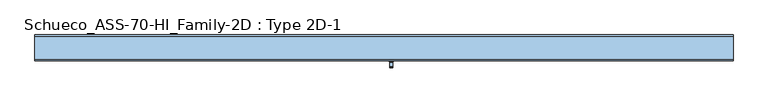
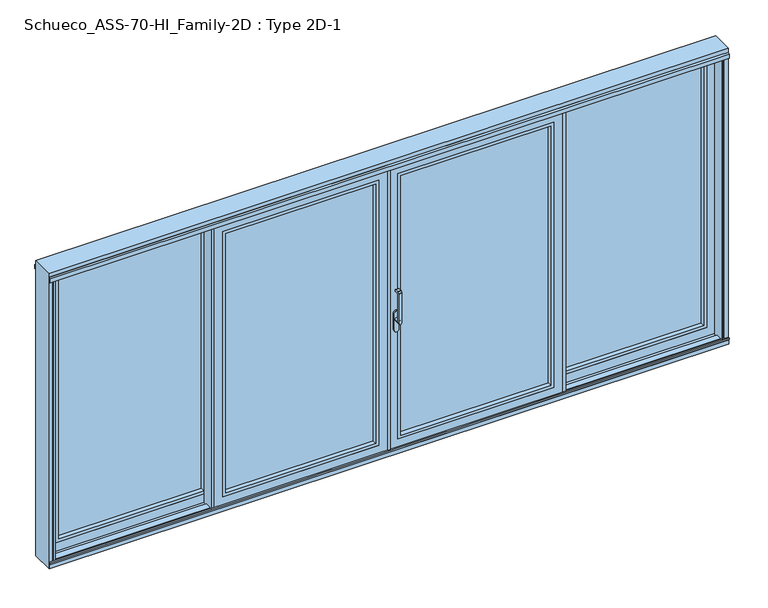
"""IFC4 building model written with IfcOpenShell, lengths in millimetres: window geometry, Schueco_ASS-70-HI_Family-2D : Type 2D-1."""

from ifc_helpers import new_model, si_unit, point, frame, frame_2d, origin, place, context, project, spatial, polyline, circle_curve, trimmed, segment, composite_curve, outline, extrude, faceted_brep, source, transform, mapped, element, save
from ifc_brep_helpers import plane_surface, cylinder_surface, revolved_surface, advanced_brep


def schueco_ass_70_hi_family_2d_type_2d_1_c16f9a44(model_context):
    return source(origin(), model_context, "Body", "SolidModel", [
        extrude(outline(polyline([(-1210.9983764, 144.5000663), (-1210.9983764, 150.0000331), (-1190.9984069, 150.0000331), (-1190.9984069, 65.7878516), (-1245.0, 65.7878516), (-1245.0, 80.0102415), (-1194.798472, 80.0102415), (-1194.798472, 144.5000663), (-1210.9983764, 144.5000663)])), frame((0.0, 0.0, -6.9999052), z_axis=(0.0, 0.0, 1.0), x_axis=(1.0, 0.0, 0.0)), (0.0, 0.0, 1.0), 2187.9998104),
        extrude(outline(polyline([(2114.8998417, -2384.8998417), (59.1001583, -2384.8998417), (59.1001583, -1277.1001583), (2114.8998417, -1277.1001583), (2114.8998417, -2384.8998417)]), holes=[polyline([(2092.899857, -1299.100143), (81.100143, -1299.100143), (81.100143, -2362.899857), (2092.899857, -2362.899857), (2092.899857, -1299.100143)])]), frame((0.0, 80.0102083, 0.0), z_axis=(0.0, 1.0, 0.0), x_axis=(0.0, 0.0, 1.0)), (0.0, 0.0, 1.0), 35.0222836),
        extrude(outline(polyline([(-1285.0984318, 115.0324919), (-2376.9015682, 115.0324919), (-2376.9015682, 141.0223361), (-1285.0984318, 141.0223361), (-1285.0984318, 115.0324919)])), frame((0.0, 0.0, 67.0984318), z_axis=(0.0, 0.0, 1.0), x_axis=(1.0, 0.0, 0.0)), (0.0, 0.0, 1.0), 2039.8031365),
        faceted_brep([(-2451.0016236, 144.5000331, 2181.0016236), (-2451.0016236, 150.0, 2181.0016236), (-2451.0016236, 150.0, -7.0016236), (-2451.0016236, 144.5000331, -7.0016236), (-1210.9983764, 150.0, 2181.0016236), (-1210.9983764, 150.0, -7.0016236), (-2363.0016236, 150.0, 2093.0016236), (-2363.0016236, 150.0, 80.9983764), (-1298.9983764, 150.0, 80.9983764), (-1298.9983764, 150.0, 2093.0016236), (-1210.9983764, 144.5000331, -7.0016236), (-1210.9983764, 144.5000331, 2181.0016236), (-1241.0000948, 144.5000331, 2150.9999052), (-1241.0000948, 144.5000331, 23.0000948), (-2420.9999052, 144.5000331, 23.0000948), (-2420.9999052, 144.5000331, 2150.9999052), (-2420.9999052, 85.5102083, 2150.9999052), (-2420.9999052, 85.5102083, 23.0000948), (-1241.0000948, 85.5102083, 23.0000948), (-1211.0000948, 85.5102083, 2180.9999052), (-1211.0000948, 85.5102083, -6.9999052), (-2450.9999052, 85.5102083, -6.9999052), (-2450.9999052, 85.5102083, 2180.9999052), (-1241.0000948, 85.5102083, 2150.9999052), (-2450.9999052, 80.0102083, 2180.9999052), (-2450.9999052, 80.0102083, -6.9999052), (-1211.0000948, 80.0102083, -6.9999052), (-1211.0000948, 80.0102083, 2180.9999052), (-1277.1001583, 80.0102083, 2114.8998417), (-1277.1001583, 80.0102083, 59.1001583), (-2384.8998417, 80.0102083, 59.1001583), (-2384.8998417, 80.0102083, 2114.8998417), (-2376.9015682, 141.0223361, 2106.9015682), (-2376.9015682, 115.0223361, 2106.9015682), (-2376.9015682, 115.0223361, 67.0984318), (-2376.9015682, 141.0223361, 67.0984318), (-2384.8998417, 115.0223361, 2114.8998417), (-2384.8998417, 115.0223361, 59.1001583), (-1277.1001583, 115.0223361, 59.1001583), (-1277.1001583, 115.0223361, 2114.8998417), (-1285.0984318, 115.0223361, 2106.9015682), (-1285.0984318, 115.0223361, 67.0984318), (-1285.0984318, 141.0223361, 67.0984318), (-1285.0984318, 141.0223361, 2106.9015682), (-1298.9983764, 141.0223361, 2093.0016236), (-1298.9983764, 141.0223361, 80.9983764), (-2363.0016236, 141.0223361, 80.9983764), (-2363.0016236, 141.0223361, 2093.0016236)], [[[0, 1, 2, 3]], [[4, 5, 2, 1], [6, 7, 8, 9]], [[3, 2, 5, 10]], [[0, 3, 10, 11], [12, 13, 14, 15]], [[16, 15, 14, 17]], [[17, 14, 13, 18]], [[19, 20, 21, 22], [16, 17, 18, 23]], [[24, 22, 21, 25]], [[25, 21, 20, 26]], [[24, 25, 26, 27], [28, 29, 30, 31]], [[32, 33, 34, 35]], [[36, 37, 38, 39], [40, 41, 34, 33]], [[35, 34, 41, 42]], [[32, 35, 42, 43], [44, 45, 46, 47]], [[6, 47, 46, 7]], [[7, 46, 45, 8]], [[10, 5, 4, 11]], [[18, 13, 12, 23]], [[26, 20, 19, 27]], [[42, 41, 40, 43]], [[8, 45, 44, 9]], [[38, 29, 28, 39]], [[37, 30, 29, 38]], [[36, 31, 30, 37]], [[11, 4, 1, 0]], [[23, 12, 15, 16]], [[27, 19, 22, 24]], [[43, 40, 33, 32]], [[9, 44, 47, 6]], [[39, 28, 31, 36]]]),
        extrude(outline(polyline([(1210.9983764, 144.5000663), (1194.798472, 144.5000663), (1194.798472, 80.0102415), (1245.0, 80.0102415), (1245.0, 65.7878516), (1190.9984069, 65.7878516), (1190.9984069, 150.0000331), (1210.9983764, 150.0000331), (1210.9983764, 144.5000663)])), frame((0.0, 0.0, -6.9999052), z_axis=(0.0, 0.0, 1.0), x_axis=(1.0, 0.0, 0.0)), (0.0, 0.0, 1.0), 2187.9998104),
        extrude(outline(polyline([(2114.8998417, 2384.8998417), (2114.8998417, 1277.1001583), (59.1001583, 1277.1001583), (59.1001583, 2384.8998417), (2114.8998417, 2384.8998417)]), holes=[polyline([(2092.899857, 1299.100143), (2092.899857, 2362.899857), (81.100143, 2362.899857), (81.100143, 1299.100143), (2092.899857, 1299.100143)])]), frame((0.0, 80.0102083, 0.0), z_axis=(0.0, 1.0, 0.0), x_axis=(0.0, 0.0, 1.0)), (0.0, 0.0, 1.0), 35.0222836),
        extrude(outline(polyline([(1285.0984318, 115.0324919), (1285.0984318, 141.0223361), (2376.9015682, 141.0223361), (2376.9015682, 115.0324919), (1285.0984318, 115.0324919)])), frame((0.0, 0.0, 67.0984318), z_axis=(0.0, 0.0, 1.0), x_axis=(1.0, 0.0, 0.0)), (0.0, 0.0, 1.0), 2039.8031365),
        faceted_brep([(2451.0016236, 144.5000331, 2181.0016236), (2451.0016236, 144.5000331, -7.0016236), (2451.0016236, 150.0, -7.0016236), (2451.0016236, 150.0, 2181.0016236), (1210.9983764, 150.0, 2181.0016236), (1210.9983764, 150.0, -7.0016236), (2363.0016236, 150.0, 2093.0016236), (1298.9983764, 150.0, 2093.0016236), (1298.9983764, 150.0, 80.9983764), (2363.0016236, 150.0, 80.9983764), (1210.9983764, 144.5000331, -7.0016236), (1210.9983764, 144.5000331, 2181.0016236), (1241.0000948, 144.5000331, 2150.9999052), (2420.9999052, 144.5000331, 2150.9999052), (2420.9999052, 144.5000331, 23.0000948), (1241.0000948, 144.5000331, 23.0000948), (2420.9999052, 85.5102083, 2150.9999052), (2420.9999052, 85.5102083, 23.0000948), (1241.0000948, 85.5102083, 23.0000948), (1211.0000948, 85.5102083, 2180.9999052), (2450.9999052, 85.5102083, 2180.9999052), (2450.9999052, 85.5102083, -6.9999052), (1211.0000948, 85.5102083, -6.9999052), (1241.0000948, 85.5102083, 2150.9999052), (2450.9999052, 80.0102083, 2180.9999052), (2450.9999052, 80.0102083, -6.9999052), (1211.0000948, 80.0102083, -6.9999052), (1211.0000948, 80.0102083, 2180.9999052), (1277.1001583, 80.0102083, 2114.8998417), (2384.8998417, 80.0102083, 2114.8998417), (2384.8998417, 80.0102083, 59.1001583), (1277.1001583, 80.0102083, 59.1001583), (2376.9015682, 141.0223361, 2106.9015682), (2376.9015682, 141.0223361, 67.0984318), (2376.9015682, 115.0223361, 67.0984318), (2376.9015682, 115.0223361, 2106.9015682), (2384.8998417, 115.0223361, 2114.8998417), (1277.1001583, 115.0223361, 2114.8998417), (1277.1001583, 115.0223361, 59.1001583), (2384.8998417, 115.0223361, 59.1001583), (1285.0984318, 115.0223361, 2106.9015682), (1285.0984318, 115.0223361, 67.0984318), (1285.0984318, 141.0223361, 67.0984318), (1285.0984318, 141.0223361, 2106.9015682), (1298.9983764, 141.0223361, 2093.0016236), (2363.0016236, 141.0223361, 2093.0016236), (2363.0016236, 141.0223361, 80.9983764), (1298.9983764, 141.0223361, 80.9983764)], [[[0, 1, 2, 3]], [[4, 3, 2, 5], [6, 7, 8, 9]], [[1, 10, 5, 2]], [[0, 11, 10, 1], [12, 13, 14, 15]], [[16, 17, 14, 13]], [[17, 18, 15, 14]], [[19, 20, 21, 22], [16, 23, 18, 17]], [[24, 25, 21, 20]], [[25, 26, 22, 21]], [[24, 27, 26, 25], [28, 29, 30, 31]], [[32, 33, 34, 35]], [[36, 37, 38, 39], [40, 35, 34, 41]], [[33, 42, 41, 34]], [[32, 43, 42, 33], [44, 45, 46, 47]], [[6, 9, 46, 45]], [[9, 8, 47, 46]], [[10, 11, 4, 5]], [[18, 23, 12, 15]], [[26, 27, 19, 22]], [[42, 43, 40, 41]], [[8, 7, 44, 47]], [[38, 37, 28, 31]], [[39, 38, 31, 30]], [[36, 39, 30, 29]], [[11, 0, 3, 4]], [[23, 16, 13, 12]], [[27, 24, 20, 19]], [[43, 32, 35, 40]], [[7, 6, 45, 44]], [[37, 36, 29, 28]]]),
        advanced_brep(
        [(64.0501266, -52.6493095, 1227.000061), (64.0501266, -59.9999695, 1219.6494011), (40.0501266, -59.9999695, 1219.6494011), (40.0501266, -52.6493095, 1227.000061), (64.0501266, -31.9999695, 1227.000061), (40.0501266, -31.9999695, 1227.000061), (64.0501266, -29.9999695, 1229.000061), (40.0501266, -29.9999695, 1229.000061), (64.0501266, -29.9999695, 1240.000061), (40.0501266, -29.9999695, 1240.000061), (40.0501266, -71.9999695, 1004.005052), (64.0501266, -71.9999695, 1004.005052), (64.0501266, -71.9999695, 1229.2360009), (40.0501266, -71.9999695, 1229.2360009), (40.0501266, -23.9999695, 1004.005052), (64.0501266, -23.9999695, 1004.005052), (40.0501266, -59.9999695, 1004.005052), (64.0501266, -59.9999695, 1004.005052), (64.0501266, -31.9999695, 1242.000061), (64.0501266, -59.2359094, 1242.000061), (64.0501266, -60.6501229, 1241.4142746), (64.0501266, -71.414183, 1230.6502145), (40.0501266, -71.414183, 1230.6502145), (40.0501266, -60.6501229, 1241.4142746), (40.0501266, -59.2359094, 1242.000061), (40.0501266, -31.9999695, 1242.000061)],
        [
            (0, 1, circle_curve(frame((64.0501266, -52.6493095, 1219.6494011), z_axis=(1.0, 0.0, 0.0), x_axis=(0.0, 0.0, -1.0)), 7.35066)),
            (1, 2),
            (2, 3, circle_curve(frame((40.0501266, -52.6493095, 1219.6494011), z_axis=(-1.0, 0.0, 0.0), x_axis=(0.0, 0.0, -1.0)), 7.35066)),
            (3, 0),
            (4, 0),
            (3, 5),
            (5, 4),
            (6, 4, circle_curve(frame((64.0501266, -31.9999695, 1229.000061), z_axis=(-1.0, 0.0, 0.0), x_axis=(0.0, 0.0, -1.0)), 2.0)),
            (5, 7, circle_curve(frame((40.0501266, -31.9999695, 1229.000061), z_axis=(1.0, 0.0, 0.0), x_axis=(0.0, 0.0, -1.0)), 2.0)),
            (7, 6),
            (8, 6),
            (7, 9),
            (9, 8),
            (10, 11, circle_curve(frame((52.0501266, -71.9999695, 1004.005052), z_axis=(0.0, -1.0, 0.0), x_axis=(1.0, 0.0, 0.0)), 12.0)),
            (11, 12),
            (12, 13),
            (13, 10),
            (14, 15, circle_curve(frame((52.0501266, -23.9999695, 1004.005052), z_axis=(0.0, 1.0, 0.0), x_axis=(1.0, 0.0, 0.0)), 12.0)),
            (15, 14, circle_curve(frame((52.0501266, -23.9999695, 1004.005052), z_axis=(0.0, 1.0, 0.0), x_axis=(1.0, 0.0, 0.0)), 12.0)),
            (10, 16),
            (16, 14),
            (15, 17),
            (17, 11),
            (16, 17, circle_curve(frame((52.0501266, -59.9999695, 1004.005052), z_axis=(0.0, 1.0, 0.0), x_axis=(1.0, 0.0, 0.0)), 12.0)),
            (17, 1),
            (8, 18, circle_curve(frame((64.0501266, -31.9999695, 1240.000061), z_axis=(1.0, 0.0, 0.0), x_axis=(0.0, 0.0, -1.0)), 2.0)),
            (18, 19),
            (19, 20, circle_curve(frame((64.0501266, -59.2359094, 1240.000061), z_axis=(1.0, 0.0, 0.0), x_axis=(0.0, 0.0, -1.0)), 2.0)),
            (20, 21),
            (21, 12, circle_curve(frame((64.0501266, -69.9999695, 1229.2360009), z_axis=(1.0, 0.0, 0.0), x_axis=(0.0, 0.0, -1.0)), 2.0)),
            (13, 22, circle_curve(frame((40.0501266, -69.9999695, 1229.2360009), z_axis=(-1.0, 0.0, 0.0), x_axis=(0.0, 0.0, -1.0)), 2.0)),
            (22, 23),
            (23, 24, circle_curve(frame((40.0501266, -59.2359094, 1240.000061), z_axis=(-1.0, 0.0, 0.0), x_axis=(0.0, 0.0, -1.0)), 2.0)),
            (24, 25),
            (25, 9, circle_curve(frame((40.0501266, -31.9999695, 1240.000061), z_axis=(-1.0, 0.0, 0.0), x_axis=(0.0, 0.0, -1.0)), 2.0)),
            (2, 16),
            (25, 18),
            (24, 19),
            (23, 20),
            (22, 21),
        ],
        [
            revolved_surface(polyline([(40.0501266, -52.6493095, 1212.2987411), (64.0501266, -52.6493095, 1212.2987411)]), (40.0501266, -52.6493095, 1219.6494011), (-1.0, 0.0, 0.0)),
            plane_surface(frame((64.0501266, -52.6493095, 1227.000061), z_axis=(0.0, 0.0, -1.0), x_axis=(-1.0, 0.0, 0.0))),
            cylinder_surface(frame((40.0501266, -31.9999695, 1229.000061), z_axis=(1.0, 0.0, 0.0), x_axis=(0.0, 0.0, -1.0)), 2.0),
            plane_surface(frame((64.0501266, -29.9999695, 1229.000061), z_axis=(0.0, 1.0, 0.0), x_axis=(-1.0, 0.0, 0.0))),
            plane_surface(frame((64.0501266, -71.9999695, 1004.005052), z_axis=(0.0, -1.0, 0.0), x_axis=(0.0, 0.0, 1.0))),
            plane_surface(frame((64.0501266, -23.9999695, 1004.005052), z_axis=(0.0, 1.0, 0.0), x_axis=(0.0, 0.0, -1.0))),
            cylinder_surface(frame((52.0501266, -23.9999695, 1004.005052), z_axis=(0.0, -1.0, 0.0), x_axis=(1.0, 0.0, 0.0)), 12.0),
            plane_surface(frame((64.0501266, -71.9999695, 1009.7503433), z_axis=(1.0, 0.0, 0.0), x_axis=(0.0, 0.0, -1.0))),
            plane_surface(frame((40.0501266, -71.9999695, 1009.7503433), z_axis=(-1.0, 0.0, 0.0), x_axis=(0.0, 0.0, 1.0))),
            plane_surface(frame((64.0501266, -59.9999695, 1004.0), z_axis=(0.0, 1.0, 0.0), x_axis=(-1.0, 0.0, 0.0))),
            cylinder_surface(frame((40.0501266, -31.9999695, 1240.000061), z_axis=(1.0, 0.0, 0.0), x_axis=(0.0, 0.0, -1.0)), 2.0),
            plane_surface(frame((64.0501266, -31.9999695, 1242.000061), z_axis=(0.0, 0.0, 1.0), x_axis=(-1.0, 0.0, 0.0))),
            cylinder_surface(frame((40.0501266, -59.2359094, 1240.000061), z_axis=(1.0, 0.0, 0.0), x_axis=(0.0, 0.0, -1.0)), 2.0),
            plane_surface(frame((64.0501266, -60.6501229, 1241.4142746), z_axis=(0.0, -0.7071067811865422, 0.7071067811865528), x_axis=(-1.0, 0.0, 0.0))),
            cylinder_surface(frame((40.0501266, -69.9999695, 1229.2360009), z_axis=(1.0, 0.0, 0.0), x_axis=(0.0, 0.0, -1.0)), 2.0),
        ],
        [
            (0, [[1, 2, 3, 4]]),
            (1, [[5, -4, 6, 7]]),
            (2, [[8, -7, 9, 10]]),
            (3, [[11, -10, 12, 13]]),
            (4, [[14, 15, 16, 17]]),
            (5, [[18, 19]]),
            (6, [[-14, 20, 21, -19, 22, 23]]),
            (6, [[-18, -21, 24, -22]]),
            (7, [[-15, -23, 25, -1, -5, -8, -11, 26, 27, 28, 29, 30]]),
            (8, [[31, 32, 33, 34, 35, -12, -9, -6, -3, 36, -20, -17]]),
            (9, [[-25, -24, -36, -2]]),
            (10, [[-26, -13, -35, 37]]),
            (11, [[-27, -37, -34, 38]]),
            (12, [[-28, -38, -33, 39]]),
            (13, [[-29, -39, -32, 40]]),
            (14, [[-30, -40, -31, -16]]),
        ],
    ),
        extrude(outline(composite_curve([segment(trimmed(circle_curve(frame_2d((922.2823932, 52.0501266)), 16.75), [point((922.2823932, 35.3001266))], [point((922.2823932, 68.8001266))], False, "CARTESIAN"), True, "CONTINUOUS"), segment(polyline([(922.2823932, 68.8001266), (1049.0099288, 68.8001266)]), True, "CONTINUOUS"), segment(trimmed(circle_curve(frame_2d((1049.0099288, 52.0501266)), 16.75), [point((1049.0099288, 68.8001266))], [point((1049.0099288, 35.3001266))], False, "CARTESIAN"), True, "CONTINUOUS"), segment(polyline([(1049.0099288, 35.3001266), (922.2823932, 35.3001266)]), True, "CONTINUOUS")], self_intersect=False)), frame((0.0, -23.9999695, 0.0), z_axis=(0.0, 1.0, 0.0), x_axis=(0.0, 0.0, 1.0)), (0.0, 0.0, 1.0), 13.9999695),
        extrude(outline(polyline([(2114.8998417, 70.1001583), (59.1001583, 70.1001583), (59.1001583, 1212.8998417), (2114.8998417, 1212.8998417), (2114.8998417, 70.1001583)]), holes=[polyline([(2092.899857, 1190.899857), (81.100143, 1190.899857), (81.100143, 92.100143), (2092.899857, 92.100143), (2092.899857, 1190.899857)])]), frame((0.0, -10.0222971, 0.0), z_axis=(0.0, 1.0, 0.0), x_axis=(0.0, 0.0, 1.0)), (0.0, 0.0, 1.0), 35.0222836),
        extrude(outline(polyline([(1204.9015682, 24.9999865), (78.0984318, 24.9999865), (78.0984318, 50.9898307), (1204.9015682, 50.9898307), (1204.9015682, 24.9999865)])), frame((0.0, 0.0, 67.0984318), z_axis=(0.0, 0.0, 1.0), x_axis=(1.0, 0.0, 0.0)), (0.0, 0.0, 1.0), 2039.8031365),
        extrude(outline(polyline([(1299.0015931, -10.0222971), (1279.0016236, -10.0222971), (1279.0016236, -4.5223302), (1295.201528, -4.5223302), (1295.201528, 59.9674946), (1245.0, 59.9674946), (1245.0, 74.1898845), (1299.0015931, 74.1898845), (1299.0015931, -10.0222971)])), frame((0.0, 0.0, -6.9999052), z_axis=(0.0, 0.0, 1.0), x_axis=(1.0, 0.0, 0.0)), (0.0, 0.0, 1.0), 2187.9998104),
        faceted_brep([(3.9983764, 54.4675277, 2181.0016236), (3.9983764, 59.9674946, 2181.0016236), (3.9983764, 59.9674946, -7.0016236), (3.9983764, 54.4675277, -7.0016236), (1279.0016236, 59.9674946, 2181.0016236), (1279.0016236, 59.9674946, -7.0016236), (91.9983764, 59.9674946, 2093.0016236), (91.9983764, 59.9674946, 80.9983764), (1191.0016236, 59.9674946, 80.9983764), (1191.0016236, 59.9674946, 2093.0016236), (1279.0016236, 54.4675277, -7.0016236), (1279.0016236, 54.4675277, 2181.0016236), (1248.9999052, 54.4675277, 2150.9999052), (1248.9999052, 54.4675277, 23.0000948), (34.0000948, 54.4675277, 23.0000948), (34.0000948, 54.4675277, 2150.9999052), (34.0000948, -4.5222971, 2150.9999052), (34.0000948, -4.5222971, 23.0000948), (1248.9999052, -4.5222971, 23.0000948), (1278.9999052, -4.5222971, 2180.9999052), (1278.9999052, -4.5222971, -6.9999052), (4.0000948, -4.5222971, -6.9999052), (4.0000948, -4.5222971, 2180.9999052), (1248.9999052, -4.5222971, 2150.9999052), (4.0000948, -10.0222971, 2180.9999052), (4.0000948, -10.0222971, -6.9999052), (1278.9999052, -10.0222971, -6.9999052), (1278.9999052, -10.0222971, 2180.9999052), (1212.8998417, -10.0222971, 2114.8998417), (1212.8998417, -10.0222971, 59.1001583), (70.1001583, -10.0222971, 59.1001583), (70.1001583, -10.0222971, 2114.8998417), (78.0984318, 50.9898307, 2106.9015682), (78.0984318, 24.9898307, 2106.9015682), (78.0984318, 24.9898307, 67.0984318), (78.0984318, 50.9898307, 67.0984318), (70.1001583, 24.9898307, 2114.8998417), (70.1001583, 24.9898307, 59.1001583), (1212.8998417, 24.9898307, 59.1001583), (1212.8998417, 24.9898307, 2114.8998417), (1204.9015682, 24.9898307, 2106.9015682), (1204.9015682, 24.9898307, 67.0984318), (1204.9015682, 50.9898307, 67.0984318), (1204.9015682, 50.9898307, 2106.9015682), (1191.0016236, 50.9898307, 2093.0016236), (1191.0016236, 50.9898307, 80.9983764), (91.9983764, 50.9898307, 80.9983764), (91.9983764, 50.9898307, 2093.0016236)], [[[0, 1, 2, 3]], [[4, 5, 2, 1], [6, 7, 8, 9]], [[3, 2, 5, 10]], [[0, 3, 10, 11], [12, 13, 14, 15]], [[16, 15, 14, 17]], [[17, 14, 13, 18]], [[19, 20, 21, 22], [16, 17, 18, 23]], [[24, 22, 21, 25]], [[25, 21, 20, 26]], [[24, 25, 26, 27], [28, 29, 30, 31]], [[32, 33, 34, 35]], [[36, 37, 38, 39], [40, 41, 34, 33]], [[35, 34, 41, 42]], [[32, 35, 42, 43], [44, 45, 46, 47]], [[6, 47, 46, 7]], [[7, 46, 45, 8]], [[10, 5, 4, 11]], [[18, 13, 12, 23]], [[26, 20, 19, 27]], [[42, 41, 40, 43]], [[8, 45, 44, 9]], [[38, 29, 28, 39]], [[37, 30, 29, 38]], [[36, 31, 30, 37]], [[11, 4, 1, 0]], [[23, 12, 15, 16]], [[27, 19, 22, 24]], [[43, 40, 33, 32]], [[9, 44, 47, 6]], [[39, 28, 31, 36]]]),
        extrude(outline(polyline([(9.0008592, -10.0222971), (9.0008592, -15.8324442), (-6.9991408, -15.8324442), (-6.9991408, -10.0223302), (2.2008592, -10.0223302), (2.2008592, 0.4287223), (-11.9991103, 0.4287223), (-11.9991103, 49.4287223), (2.2008592, 49.4287223), (2.2008592, 59.9674946), (-6.9991408, 59.9674946), (-6.9991408, 65.7287223), (9.0, 65.7287223), (9.0, 59.9674946), (3.9983764, 59.9674946), (3.9983764, 54.4675277), (34.0000948, 54.4675277), (34.0000948, -4.5222971), (4.0000948, -4.5222971), (4.0000948, -10.0222971), (9.0008592, -10.0222971)])), frame((0.0, 0.0, -6.9999052), z_axis=(0.0, 0.0, 1.0), x_axis=(1.0, 0.0, 0.0)), (0.0, 0.0, 1.0), 2187.9998104),
        extrude(outline(polyline([(2114.8998417, -70.1001583), (2114.8998417, -1212.8998417), (59.1001583, -1212.8998417), (59.1001583, -70.1001583), (2114.8998417, -70.1001583)]), holes=[polyline([(2092.899857, -1190.899857), (2092.899857, -92.100143), (81.100143, -92.100143), (81.100143, -1190.899857), (2092.899857, -1190.899857)])]), frame((0.0, -10.0222971, 0.0), z_axis=(0.0, 1.0, 0.0), x_axis=(0.0, 0.0, 1.0)), (0.0, 0.0, 1.0), 35.0222836),
        extrude(outline(polyline([(-1204.9015682, 24.9999865), (-1204.9015682, 50.9898307), (-78.0984318, 50.9898307), (-78.0984318, 24.9999865), (-1204.9015682, 24.9999865)])), frame((0.0, 0.0, 67.0984318), z_axis=(0.0, 0.0, 1.0), x_axis=(1.0, 0.0, 0.0)), (0.0, 0.0, 1.0), 2039.8031365),
        extrude(outline(polyline([(-1299.0015931, -10.0222971), (-1299.0015931, 74.1898845), (-1245.0, 74.1898845), (-1245.0, 59.9674946), (-1295.201528, 59.9674946), (-1295.201528, -4.5223302), (-1279.0016236, -4.5223302), (-1279.0016236, -10.0222971), (-1299.0015931, -10.0222971)])), frame((0.0, 0.0, -6.9999052), z_axis=(0.0, 0.0, 1.0), x_axis=(1.0, 0.0, 0.0)), (0.0, 0.0, 1.0), 2187.9998104),
        faceted_brep([(-3.9983764, 54.4675277, 2181.0016236), (-3.9983764, 54.4675277, -7.0016236), (-3.9983764, 59.9674946, -7.0016236), (-3.9983764, 59.9674946, 2181.0016236), (-1279.0016236, 59.9674946, 2181.0016236), (-1279.0016236, 59.9674946, -7.0016236), (-91.9983764, 59.9674946, 2093.0016236), (-1191.0016236, 59.9674946, 2093.0016236), (-1191.0016236, 59.9674946, 80.9983764), (-91.9983764, 59.9674946, 80.9983764), (-1279.0016236, 54.4675277, -7.0016236), (-1279.0016236, 54.4675277, 2181.0016236), (-1248.9999052, 54.4675277, 2150.9999052), (-34.0000948, 54.4675277, 2150.9999052), (-34.0000948, 54.4675277, 23.0000948), (-1248.9999052, 54.4675277, 23.0000948), (-34.0000948, -4.5222971, 2150.9999052), (-34.0000948, -4.5222971, 23.0000948), (-1248.9999052, -4.5222971, 23.0000948), (-1278.9999052, -4.5222971, 2180.9999052), (-4.0000948, -4.5222971, 2180.9999052), (-4.0000948, -4.5222971, -6.9999052), (-1278.9999052, -4.5222971, -6.9999052), (-1248.9999052, -4.5222971, 2150.9999052), (-4.0000948, -10.0222971, 2180.9999052), (-4.0000948, -10.0222971, -6.9999052), (-1278.9999052, -10.0222971, -6.9999052), (-1278.9999052, -10.0222971, 2180.9999052), (-1212.8998417, -10.0222971, 2114.8998417), (-70.1001583, -10.0222971, 2114.8998417), (-70.1001583, -10.0222971, 59.1001583), (-1212.8998417, -10.0222971, 59.1001583), (-78.0984318, 50.9898307, 2106.9015682), (-78.0984318, 50.9898307, 67.0984318), (-78.0984318, 24.9898307, 67.0984318), (-78.0984318, 24.9898307, 2106.9015682), (-70.1001583, 24.9898307, 2114.8998417), (-1212.8998417, 24.9898307, 2114.8998417), (-1212.8998417, 24.9898307, 59.1001583), (-70.1001583, 24.9898307, 59.1001583), (-1204.9015682, 24.9898307, 2106.9015682), (-1204.9015682, 24.9898307, 67.0984318), (-1204.9015682, 50.9898307, 67.0984318), (-1204.9015682, 50.9898307, 2106.9015682), (-1191.0016236, 50.9898307, 2093.0016236), (-91.9983764, 50.9898307, 2093.0016236), (-91.9983764, 50.9898307, 80.9983764), (-1191.0016236, 50.9898307, 80.9983764)], [[[0, 1, 2, 3]], [[4, 3, 2, 5], [6, 7, 8, 9]], [[1, 10, 5, 2]], [[0, 11, 10, 1], [12, 13, 14, 15]], [[16, 17, 14, 13]], [[17, 18, 15, 14]], [[19, 20, 21, 22], [16, 23, 18, 17]], [[24, 25, 21, 20]], [[25, 26, 22, 21]], [[24, 27, 26, 25], [28, 29, 30, 31]], [[32, 33, 34, 35]], [[36, 37, 38, 39], [40, 35, 34, 41]], [[33, 42, 41, 34]], [[32, 43, 42, 33], [44, 45, 46, 47]], [[6, 9, 46, 45]], [[9, 8, 47, 46]], [[10, 11, 4, 5]], [[18, 23, 12, 15]], [[26, 27, 19, 22]], [[42, 43, 40, 41]], [[8, 7, 44, 47]], [[38, 37, 28, 31]], [[39, 38, 31, 30]], [[36, 39, 30, 29]], [[11, 0, 3, 4]], [[23, 16, 13, 12]], [[27, 24, 20, 19]], [[43, 32, 35, 40]], [[7, 6, 45, 44]], [[37, 36, 29, 28]]]),
        extrude(outline(polyline([(2441.0160727, -10.0), (2441.0160727, 74.2712776), (2459.0321213, 74.2712776), (2459.0321213, 65.8101155), (2443.0, 65.8101155), (2443.0, -1.2), (2450.9999052, -1.2), (2450.9999052, -10.0), (2441.0160727, -10.0)])), frame((0.0, 0.0, -14.9999878), z_axis=(0.0, 0.0, 1.0), x_axis=(1.0, 0.0, 0.0)), (0.0, 0.0, 1.0), 2188.0000367),
        extrude(outline(polyline([(-2441.0160727, -10.0), (-2450.9999052, -10.0), (-2450.9999052, -1.2), (-2443.0, -1.2), (-2443.0, 65.8101155), (-2459.0321213, 65.8101155), (-2459.0321213, 74.2712776), (-2441.0160727, 74.2712776), (-2441.0160727, -10.0)])), frame((0.0, 0.0, -14.9999878), z_axis=(0.0, 0.0, 1.0), x_axis=(1.0, 0.0, 0.0)), (0.0, 0.0, 1.0), 2188.0000367),
        faceted_brep([(-2490.0, 149.9799122, 2240.0), (-2490.0, 150.0, -46.0), (-2490.0, -10.0, -46.0), (-2490.0, -10.0, 2240.0), (2490.0, -10.0, -46.0), (2490.0, -10.0, 2240.0), (2458.9999878, -10.0, 2209.0000341), (2458.9999878, -10.0, -14.9999878), (-2458.9999878, -10.0, -14.9999878), (-2458.9999878, -10.0, 2209.0000341), (2490.0, 149.9799122, 2240.0), (2490.0, 149.9799122, -46.0), (-2459.0, 149.9799122, 2209.0000341), (-2459.0, 149.9799122, -15.0), (2459.0, 149.9799122, -15.0), (2459.0, 149.9799122, 2209.0000341), (-2443.0, 48.300567, 1.0), (-2443.0, 1.7117574, 1.0), (2443.0, 1.7117574, 1.0), (2443.0, 48.300567, 1.0), (-2459.0, 141.2, -15.0), (2459.0, 141.2, -15.0), (2458.9999878, -1.2, -14.9999878), (-2458.9999878, -1.2, -14.9999878), (-2443.0, 91.6994085, 1.0), (2443.0, 91.6994085, 1.0), (2443.0, 138.300567, 1.0), (-2443.0, 138.300567, 1.0), (2450.9661267, 141.2, -6.9661267), (-2450.9661267, 141.2, -6.9661267), (-2450.9661267, 88.7999755, -6.9661267), (2450.9661267, 88.7999755, -6.9661267), (-2459.0321213, 51.2, -15.0321213), (2459.0321213, 51.2, -15.0321213), (2459.0321213, 88.7999755, -15.0321213), (-2459.0321213, 88.7999755, -15.0321213), (2450.9661267, 51.2, -6.9661267), (-2450.9661267, 51.2, -6.9661267), (-2443.0, 44.0436655, 2205.1913198), (-2443.0, 48.300567, 2205.1913198), (-2450.9661267, 51.2, 2205.1913198), (-2459.0321213, 51.2, 2205.1913198), (-2459.0321213, 88.7999755, 2205.1913198), (-2450.9661267, 88.7999755, 2205.1913198), (-2443.0, 91.6994085, 2205.1913198), (-2443.0, 95.9362468, 2205.1913198), (2443.0, 95.9362468, 2205.1913198), (2443.0, 91.6994085, 2205.1913198), (2450.9661267, 88.7999755, 2205.1913198), (2459.0321213, 88.7999755, 2205.1913198), (2459.0321213, 51.2, 2205.1913198), (2450.9661267, 51.2, 2205.1913198), (2443.0, 48.300567, 2205.1913198), (2443.0, 44.0436655, 2205.1913198), (2459.0, 141.2, 2209.0000341), (2450.9661267, 141.2, 2209.0000341), (2450.3614407, 140.9799122, 2209.0000341), (-2450.3614407, 140.9799122, 2209.0000341), (-2450.9661267, 141.2, 2209.0000341), (-2459.0, 141.2, 2209.0000341), (-2458.9999878, -1.2, 2209.0000341), (-2450.9999878, -1.2, 2209.0000341), (-2450.4504923, -1.0, 2209.0000341), (2450.4504923, -1.0, 2209.0000341), (2450.9999878, -1.2, 2209.0000341), (2458.9999878, -1.2, 2209.0000341), (-2443.0, 134.9837976, 2193.0), (-2443.0, 138.300567, 2193.0), (-2450.3614407, 140.9799122, 2193.0), (2450.3614407, 140.9799122, 2193.0), (2443.0, 138.300567, 2193.0), (2443.0, 134.9837976, 2193.0), (-2443.0, 134.9837976, 2184.2461635), (-2443.0, 138.300567, 2180.9293941), (-2443.0, 138.300567, 2173.0000489), (-2443.0, 91.6994085, 2173.0000489), (-2443.0, 91.6994085, 2180.4194362), (-2443.0, 95.9362468, 2184.6562744), (2443.0, 95.9362468, 2184.6562744), (2443.0, 91.6994085, 2180.4194362), (2443.0, 91.6994085, 2173.0000489), (2443.0, 138.300567, 2173.0000489), (2443.0, 138.300567, 2180.9293941), (2443.0, 134.9837976, 2184.2461635), (-2447.6139633, 139.9799122, 2179.2500488), (-2447.6139633, 139.9799122, 2173.0000489), (2447.6139633, 139.9799122, 2173.0000489), (2447.6139633, 139.9799122, 2179.2500488), (2446.3502391, 90.4800212, 2179.2000488), (2446.3502391, 90.4800212, 2173.0000489), (-2446.3502391, 90.4800212, 2173.0000489), (-2446.3502391, 90.4800212, 2179.2000488), (-2443.0, 48.300567, 2180.3993729), (-2446.2951159, 49.4998911, 2179.2000488), (-2446.2951159, 49.4998911, 2173.0000489), (-2443.0, 48.300567, 2173.0000489), (2443.0, 48.300567, 2173.0000489), (2446.2951159, 49.4998911, 2173.0000489), (2446.2951159, 49.4998911, 2179.2000488), (2443.0, 48.300567, 2180.3993729), (2450.9999878, -1.2, -6.9999878), (-2450.9999878, -1.2, -6.9999878), (2443.0, 1.7117574, 2173.0000489), (2443.0, 1.7117574, 2193.0), (2443.0, 4.9961146, 2193.0), (2443.0, 4.9961146, 2184.2461635), (2443.0, 1.7117574, 2180.9618063), (2443.0, 44.0436655, 2184.6562744), (-2443.0, 44.0436655, 2184.6562744), (-2443.0, 1.7117574, 2173.0000489), (-2443.0, 1.7117574, 2180.9618063), (-2443.0, 4.9961146, 2184.2461635), (-2443.0, 4.9961146, 2193.0), (-2443.0, 1.7117574, 2193.0), (2450.4504923, -1.0, 2193.0), (2447.7030149, 0.0, 2179.2500488), (2447.7030149, 0.0, 2173.0000489), (-2447.7030149, 0.0, 2173.0000489), (-2447.7030149, 0.0, 2179.2500488), (-2450.4504923, -1.0, 2193.0)], [[[0, 1, 2, 3]], [[2, 4, 5, 3], [6, 7, 8, 9]], [[0, 10, 11, 1], [12, 13, 14, 15]], [[5, 4, 11, 10]], [[16, 17, 18, 19]], [[20, 21, 14, 13]], [[8, 7, 22, 23]], [[24, 25, 26, 27]], [[26, 28, 29, 27]], [[24, 30, 31, 25]], [[32, 33, 34, 35]], [[16, 19, 36, 37]], [[5, 10, 0, 3]], [[38, 39, 40, 41, 42, 43, 44, 45, 46, 47, 48, 49, 50, 51, 52, 53]], [[15, 54, 55, 56, 57, 58, 59, 12]], [[9, 60, 61, 62, 63, 64, 65, 6]], [[66, 67, 68, 69, 70, 71]], [[1, 11, 4, 2]], [[21, 54, 15, 14]], [[13, 12, 59, 20]], [[23, 60, 9, 8]], [[7, 6, 65, 22]], [[67, 66, 72, 73]], [[27, 74, 75, 24]], [[76, 77, 45, 44]], [[47, 46, 78, 79]], [[25, 80, 81, 26]], [[82, 83, 71, 70]], [[20, 59, 58, 29, 28, 55, 54, 21]], [[29, 58, 57, 68, 67, 73, 84, 85, 74, 27]], [[26, 81, 86, 87, 82, 70, 69, 56, 55, 28]], [[31, 48, 47, 79, 88, 89, 80, 25]], [[30, 43, 42, 35, 34, 49, 48, 31]], [[24, 75, 90, 91, 76, 44, 43, 30]], [[35, 42, 41, 32]], [[33, 50, 49, 34]], [[32, 41, 40, 37, 36, 51, 50, 33]], [[37, 40, 39, 92, 93, 94, 95, 16]], [[19, 96, 97, 98, 99, 52, 51, 36]], [[22, 65, 64, 100, 101, 61, 60, 23]], [[18, 102, 96, 19]], [[103, 104, 105, 106]], [[99, 107, 53, 52]], [[17, 101, 100, 18]], [[39, 38, 108, 92]], [[16, 95, 109, 17]], [[110, 111, 112, 113]], [[100, 64, 63, 114, 103, 106, 115, 116, 102, 18]], [[17, 109, 117, 118, 110, 113, 119, 62, 61, 101]], [[53, 107, 108, 38]], [[45, 77, 78, 46]], [[56, 69, 68, 57]], [[114, 63, 62, 119]], [[119, 113, 112, 104, 103, 114]], [[112, 111, 105, 104]], [[111, 110, 118, 115, 106, 105]], [[118, 117, 116, 115]], [[117, 109, 95, 94, 97, 96, 102, 116]], [[94, 93, 98, 97]], [[93, 92, 108, 107, 99, 98]], [[77, 76, 91, 88, 79, 78]], [[91, 90, 89, 88]], [[90, 75, 74, 85, 86, 81, 80, 89]], [[85, 84, 87, 86]], [[84, 73, 72, 83, 82, 87]], [[71, 83, 72, 66]]]),
        extrude(outline(polyline([(150.0, 2.9839273), (150.0, -6.9999052), (141.2, -6.9999052), (141.2, 1.0), (74.1898845, 1.0), (74.1898845, -15.0321213), (65.7287223, -15.0321213), (65.7287223, 2.9839273), (150.0, 2.9839273)])), frame((-1191.0, 0.0, 0.0), z_axis=(1.0, 0.0, 0.0), x_axis=(0.0, 1.0, 0.0)), (0.0, 0.0, 1.0), 2381.9984069),
        extrude(outline(polyline([(158.5798866, 2193.0), (140.9799122, 2193.0), (140.9799122, 2209.0000341), (149.9799122, 2209.0000341), (162.5798866, 2201.7254355), (162.5798866, 2173.0000489), (158.5798866, 2173.0000489), (158.5798866, 2193.0)])), frame((-2490.0, 0.0, 0.0), z_axis=(1.0, 0.0, 0.0), x_axis=(0.0, 1.0, 0.0)), (0.0, 0.0, 1.0), 4980.0),
        extrude(outline(polyline([(-18.5999743, 2193.0), (-18.5999743, 2173.0000489), (-22.5999743, 2173.0000489), (-22.5999743, 2201.7254355), (-10.0, 2209.0000341), (-1.0, 2209.0000341), (-1.0, 2193.0), (-18.5999743, 2193.0)])), frame((-2490.0, 0.0, 0.0), z_axis=(1.0, 0.0, 0.0), x_axis=(0.0, 1.0, 0.0)), (0.0, 0.0, 1.0), 4980.0),
        extrude(outline(polyline([(-22.6000344, 0.960942), (-10.0, 0.960942), (-10.0, -46.0), (-18.0993105, -46.0), (-18.0993105, -15.3390921), (-22.6000344, -10.8383681), (-22.6000344, 0.960942)])), frame((-2490.0, 0.0, 0.0), z_axis=(1.0, 0.0, 0.0), x_axis=(0.0, 1.0, 0.0)), (0.0, 0.0, 1.0), 4980.0),
    ])


if __name__ == "__main__":
    model = new_model("IFC4")
    model_context = context("Model", 3, world=origin())
    ifc_project = project(units=[si_unit("LENGTHUNIT", "METRE", prefix="MILLI")], contexts=[model_context])
    site = spatial("IfcSite", under=ifc_project)
    building = spatial("IfcBuilding", under=site)
    placement = place(None, origin())
    schueco_ass_70_hi_family_2d_type_2d_1_shape = schueco_ass_70_hi_family_2d_type_2d_1_c16f9a44(model_context)
    element("IfcWindow", 1, ObjectType="Schueco_ASS-70-HI_Family-2D : Type 2D-1", at=placement, inside=building, context=model_context, shape_type="MappedRepresentation", body=[
        mapped(schueco_ass_70_hi_family_2d_type_2d_1_shape, transform((0.0, 0.0, 0.0), x_axis=(1.0, 0.0, 0.0), y_axis=(0.0, 1.0, 0.0), z_axis=(0.0, 0.0, 1.0))),
    ])
    save(model, "model.ifc")
